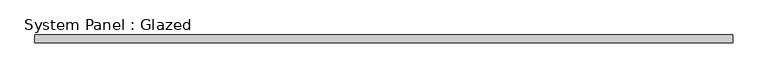
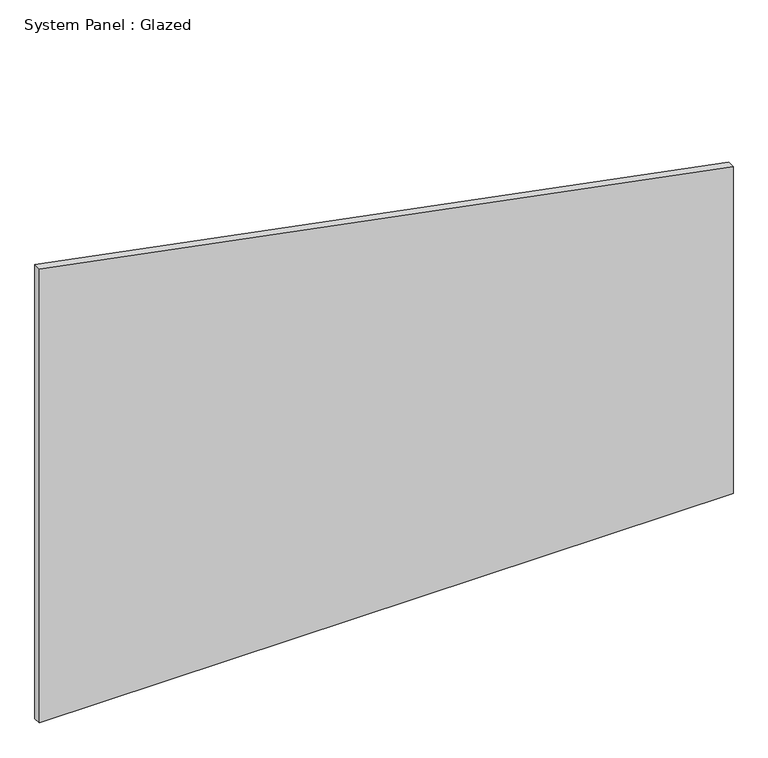
"""IFC4 building model written with IfcOpenShell, lengths in millimetres: plate geometry, System Panel : Glazed."""

from ifc_helpers import new_model, si_unit, frame, origin, place, context, project, spatial, polyline, outline, extrude, source, transform, mapped, element, save


def system_panel_glazed_88bb4503(model_context):
    return source(origin(), model_context, "Body", "SweptSolid", [
        extrude(outline(polyline([(0.0, -1141.6340625), (0.0, 1141.6340625), (1138.0560022, 1141.6340625), (1581.0599468, -1141.6340625), (0.0, -1141.6340625)])), frame((0.0, 24.5, 0.0), z_axis=(0.0, 1.0, 0.0), x_axis=(0.0, 0.0, 1.0)), (0.0, 0.0, 1.0), 25.0),
    ])


if __name__ == "__main__":
    model = new_model("IFC4")
    model_context = context("Model", 3, world=origin())
    ifc_project = project(units=[si_unit("LENGTHUNIT", "METRE", prefix="MILLI")], contexts=[model_context])
    site = spatial("IfcSite", under=ifc_project)
    building = spatial("IfcBuilding", under=site)
    placement = place(None, origin())
    system_panel_glazed_shape = system_panel_glazed_88bb4503(model_context)
    element("IfcPlate", 1, ObjectType="System Panel : Glazed", at=placement, inside=building, context=model_context, shape_type="MappedRepresentation", body=[
        mapped(system_panel_glazed_shape, transform((0.0, 0.0, 0.0), x_axis=(1.0, 0.0, 0.0), y_axis=(0.0, 1.0, 0.0), z_axis=(0.0, 0.0, 1.0))),
    ])
    save(model, "model.ifc")
